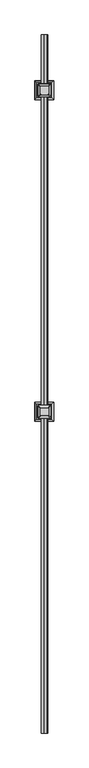
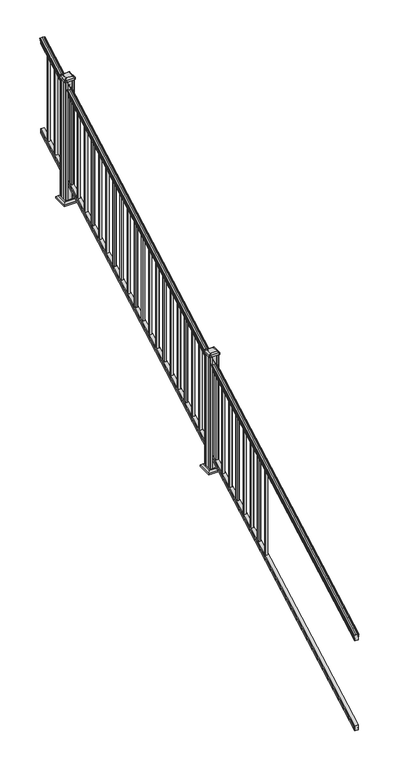
"""IFC4 building model written with IfcOpenShell, lengths in millimetres: railing geometry."""

from ifc_helpers import new_model, si_unit, point, frame, frame_2d, origin, place, context, project, spatial, polyline, circle_curve, ellipse_curve, trimmed, segment, composite_curve, outline, extrude, faceted_brep, source, transform, mapped, element, save
from ifc_brep_helpers import plane_surface, cylinder_surface, revolved_surface, extruded_surface, advanced_brep


def railing_023d52d3(model_context):
    return source(origin(), model_context, "Body", "SolidModel", [
        advanced_brep(
        [(9739.1614371, 1778.9805319, 1111.1933), (9741.7352659, 1778.9805319, 1111.1933), (9741.7352659, 1778.9805319, 1099.0017677), (9740.7192659, 1778.9805319, 1097.8395054), (9740.7192659, 1778.9805319, 1083.7333333), (9772.4692659, 1778.9805319, 1083.7333333), (9772.4692659, 1778.9805319, 1098.0200397), (9771.4532659, 1778.9805319, 1099.182302), (9771.4532659, 1778.9805319, 1111.1933), (9774.0270946, 1778.9805319, 1111.1933), (9774.0270946, 1778.9805319, 1113.3531886), (9775.1572809, 1778.9805319, 1115.140347), (9775.1572809, 1778.9805319, 1123.3974153), (9774.5080245, 1778.9805319, 1126.1811654), (9777.0080245, 1778.9805319, 1131.1346527), (9778.417367, 1778.9805319, 1133.0560334), (9778.819266, 1778.9805319, 1134.3198045), (9778.8192659, 1778.9805319, 1135.8530343), (9777.2658186, 1778.9805319, 1137.6301141), (9756.5942659, 1778.9805319, 1137.6301141), (9735.9227131, 1778.9805319, 1137.6301141), (9734.3692659, 1778.9805319, 1135.8530343), (9734.3692659, 1778.9805319, 1134.3198045), (9734.7711648, 1778.9805319, 1133.0560334), (9736.1805072, 1778.9805319, 1131.1346527), (9738.6805072, 1778.9805319, 1126.1811654), (9738.0312508, 1778.9805319, 1123.3974153), (9738.0312508, 1778.9805319, 1115.140347), (9739.1614371, 1778.9805319, 1113.3531886), (9739.1614371, 6655.7805319, 3820.5266334), (9739.1614371, 6655.7805319, 3822.6865219), (9738.0312508, 6655.7805319, 3824.4736803), (9738.0312508, 6655.7805319, 3832.7307486), (9738.6805072, 6655.7805319, 3835.5144987), (9736.1805072, 6655.7805319, 3840.4679861), (9734.7711648, 6655.7805319, 3842.3893668), (9734.3692658, 6655.7805319, 3843.6531378), (9734.3692659, 6655.7805319, 3845.1863676), (9735.9227131, 6655.7805319, 3846.9634474), (9756.5942659, 6655.7805319, 3846.9634474), (9777.2658186, 6655.7805319, 3846.9634474), (9778.8192659, 6655.7805319, 3845.1863676), (9778.8192659, 6655.7805319, 3843.6531378), (9778.417367, 6655.7805319, 3842.3893668), (9777.0080245, 6655.7805319, 3840.4679861), (9774.5080245, 6655.7805319, 3835.5144987), (9775.1572809, 6655.7805319, 3832.7307486), (9775.1572809, 6655.7805319, 3824.4736803), (9774.0270946, 6655.7805319, 3822.6865219), (9774.0270946, 6655.7805319, 3820.5266334), (9771.4532659, 6655.7805319, 3820.5266334), (9771.4532659, 6655.7805319, 3808.5156353), (9772.4692659, 6655.7805319, 3807.3533731), (9772.4692659, 6655.7805319, 3793.0666667), (9740.7192659, 6655.7805319, 3793.0666667), (9740.7192659, 6655.7805319, 3807.1728388), (9741.7352659, 6655.7805319, 3808.335101), (9741.7352659, 6655.7805319, 3820.5266334)],
        [
            (0, 1, ellipse_curve(frame((9740.4483515, 1778.9805319, 1111.1933), z_axis=(0.0, -1.0, 0.0), x_axis=(0.0, 0.0, -1.0)), 1.4721772, 1.2869144)),
            (1, 2),
            (2, 3),
            (3, 4),
            (4, 5),
            (5, 6),
            (6, 7),
            (7, 8),
            (8, 9, ellipse_curve(frame((9772.7401802, 1778.9805319, 1111.1933), z_axis=(0.0, -1.0, 0.0), x_axis=(0.0, 0.0, -1.0)), 1.4721772, 1.2869144)),
            (9, 10),
            (10, 11, ellipse_curve(frame((9767.7123413, 1778.9805319, 1119.9403628), z_axis=(0.0, -1.0, 0.0), x_axis=(0.0, 0.0, -1.0)), 9.7762168, 8.545951)),
            (11, 12, ellipse_curve(frame((9768.1494043, 1778.9805319, 1119.2688811), z_axis=(0.0, -1.0, 0.0), x_axis=(0.0, 0.0, -1.0)), 9.0173521, 7.882584)),
            (12, 13, ellipse_curve(frame((9778.6627284, 1778.9805319, 1125.9582895), z_axis=(0.0, 1.0, 0.0), x_axis=(0.0, 0.0, 1.0)), 4.7580334, 4.1592695)),
            (13, 14, ellipse_curve(frame((9779.950035, 1778.9805319, 1125.8892329), z_axis=(0.0, 1.0, 0.0), x_axis=(0.0, 0.0, 1.0)), 6.2322774, 5.4479907)),
            (14, 15, ellipse_curve(frame((9778.7168765, 1778.9805319, 1131.1314345), z_axis=(0.0, 1.0, 0.0), x_axis=(0.0, 0.0, 1.0)), 1.9548591, 1.7088543)),
            (15, 16, ellipse_curve(frame((9777.0999764, 1778.9805319, 1134.3198045), z_axis=(0.0, -1.0, 0.0), x_axis=(0.0, 0.0, -1.0)), 1.9667965, 1.7192895)),
            (16, 17),
            (17, 18, ellipse_curve(frame((9777.2658186, 1778.9805319, 1135.8530343), z_axis=(0.0, -1.0, 0.0), x_axis=(0.0, 0.0, -1.0)), 1.7770798, 1.5534472)),
            (18, 19),
            (19, 20),
            (20, 21, ellipse_curve(frame((9735.9227131, 1778.9805319, 1135.8530343), z_axis=(0.0, -1.0, 0.0), x_axis=(0.0, 0.0, -1.0)), 1.7770798, 1.5534472)),
            (21, 22),
            (22, 23, ellipse_curve(frame((9736.0885553, 1778.9805319, 1134.3198045), z_axis=(0.0, -1.0, 0.0), x_axis=(0.0, 0.0, -1.0)), 1.9667965, 1.7192895)),
            (23, 24, ellipse_curve(frame((9734.4716552, 1778.9805319, 1131.1314345), z_axis=(0.0, 1.0, 0.0), x_axis=(0.0, 0.0, 1.0)), 1.9548591, 1.7088543)),
            (24, 25, ellipse_curve(frame((9733.2384968, 1778.9805319, 1125.8892329), z_axis=(0.0, 1.0, 0.0), x_axis=(0.0, 0.0, 1.0)), 6.2322774, 5.4479907)),
            (25, 26, ellipse_curve(frame((9734.5258033, 1778.9805319, 1125.9582895), z_axis=(0.0, 1.0, 0.0), x_axis=(0.0, 0.0, 1.0)), 4.7580334, 4.1592695)),
            (26, 27, ellipse_curve(frame((9745.0391275, 1778.9805319, 1119.2688811), z_axis=(0.0, -1.0, 0.0), x_axis=(0.0, 0.0, -1.0)), 9.0173521, 7.882584)),
            (27, 28, ellipse_curve(frame((9745.4761904, 1778.9805319, 1119.9403628), z_axis=(0.0, -1.0, 0.0), x_axis=(0.0, 0.0, -1.0)), 9.7762168, 8.545951)),
            (28, 0),
            (29, 30),
            (30, 31, ellipse_curve(frame((9745.4761904, 6655.7805319, 3829.2736961), z_axis=(0.0, 1.0, 0.0), x_axis=(0.0, 0.0, -1.0)), 9.7762168, 8.545951)),
            (31, 32, ellipse_curve(frame((9745.0391275, 6655.7805319, 3828.6022145), z_axis=(0.0, 1.0, 0.0), x_axis=(0.0, 0.0, -1.0)), 9.0173521, 7.882584)),
            (32, 33, ellipse_curve(frame((9734.5258033, 6655.7805319, 3835.2916228), z_axis=(0.0, -1.0, 0.0), x_axis=(0.0, 0.0, 1.0)), 4.7580334, 4.1592695)),
            (33, 34, ellipse_curve(frame((9733.2384968, 6655.7805319, 3835.2225663), z_axis=(0.0, -1.0, 0.0), x_axis=(0.0, 0.0, 1.0)), 6.2322774, 5.4479907)),
            (34, 35, ellipse_curve(frame((9734.4716552, 6655.7805319, 3840.4647678), z_axis=(0.0, -1.0, 0.0), x_axis=(0.0, 0.0, 1.0)), 1.9548591, 1.7088543)),
            (35, 36, ellipse_curve(frame((9736.0885553, 6655.7805319, 3843.6531378), z_axis=(0.0, 1.0, 0.0), x_axis=(0.0, 0.0, -1.0)), 1.9667965, 1.7192895)),
            (36, 37),
            (37, 38, ellipse_curve(frame((9735.9227131, 6655.7805319, 3845.1863676), z_axis=(0.0, 1.0, 0.0), x_axis=(0.0, 0.0, -1.0)), 1.7770798, 1.5534472)),
            (38, 39),
            (39, 40),
            (40, 41, ellipse_curve(frame((9777.2658186, 6655.7805319, 3845.1863676), z_axis=(0.0, 1.0, 0.0), x_axis=(0.0, 0.0, -1.0)), 1.7770798, 1.5534472)),
            (41, 42),
            (42, 43, ellipse_curve(frame((9777.0999764, 6655.7805319, 3843.6531378), z_axis=(0.0, 1.0, 0.0), x_axis=(0.0, 0.0, -1.0)), 1.9667965, 1.7192895)),
            (43, 44, ellipse_curve(frame((9778.7168765, 6655.7805319, 3840.4647678), z_axis=(0.0, -1.0, 0.0), x_axis=(0.0, 0.0, 1.0)), 1.9548591, 1.7088543)),
            (44, 45, ellipse_curve(frame((9779.950035, 6655.7805319, 3835.2225663), z_axis=(0.0, -1.0, 0.0), x_axis=(0.0, 0.0, 1.0)), 6.2322774, 5.4479907)),
            (45, 46, ellipse_curve(frame((9778.6627284, 6655.7805319, 3835.2916228), z_axis=(0.0, -1.0, 0.0), x_axis=(0.0, 0.0, 1.0)), 4.7580334, 4.1592695)),
            (46, 47, ellipse_curve(frame((9768.1494043, 6655.7805319, 3828.6022145), z_axis=(0.0, 1.0, 0.0), x_axis=(0.0, 0.0, -1.0)), 9.0173521, 7.882584)),
            (47, 48, ellipse_curve(frame((9767.7123413, 6655.7805319, 3829.2736961), z_axis=(0.0, 1.0, 0.0), x_axis=(0.0, 0.0, -1.0)), 9.7762168, 8.545951)),
            (48, 49),
            (49, 50, ellipse_curve(frame((9772.7401802, 6655.7805319, 3820.5266334), z_axis=(0.0, 1.0, 0.0), x_axis=(0.0, 0.0, -1.0)), 1.4721772, 1.2869144)),
            (50, 51),
            (51, 52),
            (52, 53),
            (53, 54),
            (54, 55),
            (55, 56),
            (56, 57),
            (57, 29, ellipse_curve(frame((9740.4483515, 6655.7805319, 3820.5266334), z_axis=(0.0, 1.0, 0.0), x_axis=(0.0, 0.0, -1.0)), 1.4721772, 1.2869144)),
            (0, 29),
            (57, 1),
            (56, 2),
            (55, 3),
            (54, 4),
            (53, 5),
            (52, 6),
            (51, 7),
            (50, 8),
            (49, 9),
            (48, 10),
            (47, 11),
            (46, 12),
            (45, 13),
            (44, 14),
            (43, 15),
            (42, 16),
            (41, 17),
            (40, 18),
            (39, 19),
            (38, 20),
            (37, 21),
            (36, 22),
            (35, 23),
            (34, 24),
            (33, 25),
            (32, 26),
            (31, 27),
            (30, 28),
        ],
        [
            plane_surface(frame((9756.5942659, 1778.9805319, 1083.7333333), z_axis=(0.0, -1.0, 0.0), x_axis=(0.0, 0.0, 1.0))),
            plane_surface(frame((9756.5942659, 6655.7805319, 3793.0666667), z_axis=(0.0, 1.0, 0.0), x_axis=(0.0, 0.0, 1.0))),
            cylinder_surface(frame((9740.4483515, 1767.3229989, 1104.7168928), z_axis=(0.0, -0.8741572761215699, -0.4856429311785742), x_axis=(1.0, 0.0, 0.0)), 1.2869144),
            plane_surface(frame((9741.7352659, 1778.9805319, 1111.1933), z_axis=(-1.0000000000000002, 0.0, 0.0), x_axis=(0.0, 0.87415727612157, 0.4856429311785743))),
            plane_surface(frame((9741.7352659, 1778.9805319, 1099.0017677), z_axis=(-0.7071067811865404, -0.3434014098716843, 0.6181225377691304), x_axis=(0.0, 0.87415727612157, 0.4856429311785743))),
            plane_surface(frame((9740.7192659, 1778.9805319, 1097.8395054), z_axis=(-1.0000000000000002, 0.0, 0.0), x_axis=(0.0, 0.87415727612157, 0.4856429311785743))),
            plane_surface(frame((9740.7192659, 1778.9805319, 1083.7333333), z_axis=(0.0, 0.4856429311785744, -0.8741572761215699), x_axis=(0.0, 0.8741572761215699, 0.4856429311785744))),
            plane_surface(frame((9772.4692659, 1778.9805319, 1083.7333333), z_axis=(1.0000000000000002, 0.0, 0.0), x_axis=(0.0, 0.8741572761215699, 0.4856429311785744))),
            plane_surface(frame((9772.4692659, 1778.9805319, 1098.0200397), z_axis=(0.7071067811865429, -0.34340140987168505, 0.6181225377691272), x_axis=(0.0, 0.87415727612157, 0.4856429311785743))),
            plane_surface(frame((9771.4532659, 1778.9805319, 1099.182302), z_axis=(1.0000000000000002, 0.0, 0.0), x_axis=(0.0, 0.8741572761215699, 0.4856429311785744))),
            cylinder_surface(frame((9772.7401802, 1767.3229989, 1104.7168928), z_axis=(0.0, -0.8741572761215699, -0.4856429311785742), x_axis=(-1.0, 0.0, 0.0)), 1.2869144),
            plane_surface(frame((9774.0270946, 1778.9805319, 1111.1933), z_axis=(1.0000000000000002, 0.0, 0.0), x_axis=(0.0, 0.8741572761215699, 0.4856429311785744))),
            cylinder_surface(frame((9767.7123413, 1763.6096232, 1111.4009691), z_axis=(0.0, -0.8741572761215699, -0.4856429311785742), x_axis=(-1.0, 0.0, 0.0)), 8.545951),
            cylinder_surface(frame((9768.1494043, 1763.8946861, 1110.8878557), z_axis=(0.0, -0.8741572761215699, -0.4856429311785742), x_axis=(-1.0, 0.0, 0.0)), 7.882584),
            revolved_surface(polyline([(9774.5034589, 6657.80045174452, 3836.413800479864), (9774.5034589, 1776.9606120792462, 1124.8361117773575)]), (9778.6627284, 1761.054843, 1115.9995734), (0.0, 0.8741572761215699, 0.4856429311785742)),
            revolved_surface(polyline([(9774.5020443, 6658.426310041689, 3836.6924430449585), (9774.5020443, 1776.3347537301895, 1124.4193562056596)]), (9779.950035, 1761.0841594, 1115.9468038), (0.0, 0.8741572761215699, 0.4856429311785742)),
            revolved_surface(polyline([(9777.0080222, 6656.610424923765, 3840.925819457223), (9777.0080222, 1778.1506389094347, 1130.6703827830177)]), (9778.7168765, 1758.8586965, 1119.952637), (0.0, 0.8741572761215699, 0.4856429311785742)),
            cylinder_surface(frame((9777.0999764, 1757.5051432, 1122.389033), z_axis=(0.0, -0.8741572761215699, -0.4856429311785742), x_axis=(-1.0, 0.0, 0.0)), 1.7192895),
            plane_surface(frame((9778.8192659, 1778.9805319, 1134.3198045), z_axis=(1.0, 0.0, 0.0), x_axis=(0.0, 0.8741572761215698, 0.4856429311785744))),
            cylinder_surface(frame((9777.2658186, 1756.8542438, 1123.560652), z_axis=(0.0, -0.8741572761215699, -0.4856429311785742), x_axis=(-1.0, 0.0, 0.0)), 1.5534472),
            plane_surface(frame((9777.2658186, 1778.9805319, 1137.6301141), z_axis=(0.0, -0.4856429311785744, 0.8741572761215699), x_axis=(0.0, 0.8741572761215699, 0.4856429311785744))),
            plane_surface(frame((9756.5942659, 1778.9805319, 1137.6301141), z_axis=(0.0, -0.4856429311785743, 0.87415727612157), x_axis=(0.0, 0.87415727612157, 0.4856429311785743))),
            cylinder_surface(frame((9735.9227131, 1756.8542438, 1123.560652), z_axis=(0.0, -0.8741572761215699, -0.4856429311785742), x_axis=(1.0, 0.0, 0.0)), 1.5534472),
            plane_surface(frame((9734.3692659, 1778.9805319, 1135.8530343), z_axis=(-1.0000000000000002, 0.0, 0.0), x_axis=(0.0, 0.8741572761215699, 0.4856429311785744))),
            cylinder_surface(frame((9736.0885553, 1757.5051432, 1122.389033), z_axis=(0.0, -0.8741572761215699, -0.4856429311785742), x_axis=(1.0, 0.0, 0.0)), 1.7192895),
            revolved_surface(polyline([(9736.180509500002, 6656.610424923765, 3840.925819457223), (9736.180509500002, 1778.1506389094347, 1130.6703827830177)]), (9734.4716552, 1758.8586965, 1119.952637), (0.0, 0.8741572761215699, 0.4856429311785742)),
            revolved_surface(polyline([(9738.686487500001, 6658.426310041689, 3836.6924430449585), (9738.686487500001, 1776.3347537301895, 1124.4193562056596)]), (9733.2384968, 1761.0841594, 1115.9468038), (0.0, 0.8741572761215699, 0.4856429311785742)),
            revolved_surface(polyline([(9738.685072799999, 6657.80045174452, 3836.413800479864), (9738.685072799999, 1776.9606120792462, 1124.8361117773575)]), (9734.5258033, 1761.054843, 1115.9995734), (0.0, 0.8741572761215699, 0.4856429311785742)),
            cylinder_surface(frame((9745.0391275, 1763.8946861, 1110.8878557), z_axis=(0.0, -0.8741572761215699, -0.4856429311785742), x_axis=(1.0, 0.0, 0.0)), 7.882584),
            cylinder_surface(frame((9745.4761904, 1763.6096232, 1111.4009691), z_axis=(0.0, -0.8741572761215699, -0.4856429311785742), x_axis=(1.0, 0.0, 0.0)), 8.545951),
            plane_surface(frame((9739.1614371, 1778.9805319, 1113.3531886), z_axis=(-1.0000000000000002, 0.0, 0.0), x_axis=(0.0, 0.87415727612157, 0.4856429311785743))),
        ],
        [
            (0, [[1, 2, 3, 4, 5, 6, 7, 8, 9, 10, 11, 12, 13, 14, 15, 16, 17, 18, 19, 20, 21, 22, 23, 24, 25, 26, 27, 28, 29]]),
            (1, [[30, 31, 32, 33, 34, 35, 36, 37, 38, 39, 40, 41, 42, 43, 44, 45, 46, 47, 48, 49, 50, 51, 52, 53, 54, 55, 56, 57, 58]]),
            (2, [[-1, 59, -58, 60]]),
            (3, [[-2, -60, -57, 61]]),
            (4, [[-3, -61, -56, 62]]),
            (5, [[-4, -62, -55, 63]]),
            (6, [[-5, -63, -54, 64]]),
            (7, [[-6, -64, -53, 65]]),
            (8, [[-7, -65, -52, 66]]),
            (9, [[-8, -66, -51, 67]]),
            (10, [[-9, -67, -50, 68]]),
            (11, [[-10, -68, -49, 69]]),
            (12, [[-11, -69, -48, 70]]),
            (13, [[-12, -70, -47, 71]]),
            (14, [[-13, -71, -46, 72]]),
            (15, [[-14, -72, -45, 73]]),
            (16, [[-15, -73, -44, 74]]),
            (17, [[-16, -74, -43, 75]]),
            (18, [[-17, -75, -42, 76]]),
            (19, [[-18, -76, -41, 77]]),
            (20, [[-19, -77, -40, 78]]),
            (21, [[-20, -78, -39, 79]]),
            (22, [[-21, -79, -38, 80]]),
            (23, [[-22, -80, -37, 81]]),
            (24, [[-23, -81, -36, 82]]),
            (25, [[-24, -82, -35, 83]]),
            (26, [[-25, -83, -34, 84]]),
            (27, [[-26, -84, -33, 85]]),
            (28, [[-27, -85, -32, 86]]),
            (29, [[-28, -86, -31, 87]]),
            (30, [[-29, -87, -30, -59]]),
        ],
    ),
        faceted_brep([(9740.681779, 1778.9805319, 247.1948195), (9740.681779, 1778.9805319, 232.8333333), (9772.431779, 1778.9805319, 232.8333333), (9772.431779, 1778.9805319, 247.1757762), (9771.415779, 1778.9805319, 248.7181503), (9771.415779, 1778.9805319, 260.5143074), (9772.431779, 1778.9805319, 262.0566814), (9772.431779, 1778.9805319, 276.4134523), (9740.681779, 1778.9805319, 276.4134523), (9740.681779, 1778.9805319, 262.0757247), (9741.697779, 1778.9805319, 260.5333506), (9741.697779, 1778.9805319, 248.6824473), (9740.681779, 6655.7805319, 2956.5281528), (9741.697779, 6655.7805319, 2958.0157807), (9741.697779, 6655.7805319, 2969.8666839), (9740.681779, 6655.7805319, 2971.409058), (9740.681779, 6655.7805319, 2985.7467856), (9772.431779, 6655.7805319, 2985.7467856), (9772.431779, 6655.7805319, 2971.3900148), (9771.415779, 6655.7805319, 2969.8476407), (9771.415779, 6655.7805319, 2958.0514837), (9772.431779, 6655.7805319, 2956.5091096), (9772.431779, 6655.7805319, 2942.1666667), (9740.681779, 6655.7805319, 2942.1666667)], [[[0, 1, 2, 3, 4, 5, 6, 7, 8, 9, 10, 11]], [[12, 13, 14, 15, 16, 17, 18, 19, 20, 21, 22, 23]], [[1, 0, 12, 23]], [[2, 1, 23, 22]], [[3, 2, 22, 21]], [[4, 3, 21, 20]], [[5, 4, 20, 19]], [[6, 5, 19, 18]], [[7, 6, 18, 17]], [[8, 7, 17, 16]], [[9, 8, 16, 15]], [[10, 9, 15, 14]], [[11, 10, 14, 13]], [[0, 11, 13, 12]]]),
        extrude(outline(polyline([(9747.0692659, 6547.8305319), (9747.0692659, 6566.8805319), (9766.1192659, 6566.8805319), (9766.1192659, 6547.8305319), (9747.0692659, 6547.8305319)]), holes=[polyline([(9747.4661409, 6548.2274069), (9765.7223909, 6548.2274069), (9765.7223909, 6566.4836569), (9747.4661409, 6566.4836569), (9747.4661409, 6548.2274069)])]), frame((0.0, 0.0, 2925.5819892), z_axis=(0.0, 0.0, 1.0), x_axis=(1.0, 0.0, 0.0)), (0.0, 0.0, 1.0), 812.8041219),
        extrude(outline(polyline([(9747.0692659, 6436.7055319), (9747.0692659, 6455.7555319), (9766.1192659, 6455.7555319), (9766.1192659, 6436.7055319), (9747.0692659, 6436.7055319)]), holes=[polyline([(9747.4661409, 6437.1024069), (9765.7223909, 6437.1024069), (9765.7223909, 6455.3586569), (9747.4661409, 6455.3586569), (9747.4661409, 6437.1024069)])]), frame((0.0, 0.0, 2863.8458781), z_axis=(0.0, 0.0, 1.0), x_axis=(1.0, 0.0, 0.0)), (0.0, 0.0, 1.0), 812.8041219),
        extrude(outline(polyline([(9747.0692659, 6325.5805319), (9747.0692659, 6344.6305319), (9766.1192659, 6344.6305319), (9766.1192659, 6325.5805319), (9747.0692659, 6325.5805319)]), holes=[polyline([(9747.4661409, 6325.9774069), (9765.7223909, 6325.9774069), (9765.7223909, 6344.2336569), (9747.4661409, 6344.2336569), (9747.4661409, 6325.9774069)])]), frame((0.0, 0.0, 2802.109767), z_axis=(0.0, 0.0, 1.0), x_axis=(1.0, 0.0, 0.0)), (0.0, 0.0, 1.0), 812.8041219),
        faceted_brep([(9704.0083284, 6215.8445944, 2568.575), (9809.1802034, 6215.8445944, 2568.575), (9809.1802034, 6321.0164694, 2568.575), (9704.0083284, 6321.0164694, 2568.575), (9689.9688753, 6201.8051413, 2555.24), (9689.9688753, 6335.0559225, 2555.24), (9823.2196565, 6335.0559225, 2555.24), (9823.2196565, 6201.8051413, 2555.24)], [[[0, 1, 2, 3]], [[4, 5, 6, 7]], [[4, 7, 1, 0]], [[7, 6, 2, 1]], [[6, 5, 3, 2]], [[5, 4, 0, 3]]]),
        extrude(outline(polyline([(9689.9688753, 6201.8051413), (9689.9688753, 6335.0559225), (9823.2196565, 6335.0559225), (9823.2196565, 6201.8051413), (9689.9688753, 6201.8051413)])), frame((0.0, 0.0, 2540.0), z_axis=(0.0, 0.0, 1.0), x_axis=(1.0, 0.0, 0.0)), (0.0, 0.0, 1.0), 15.24),
        advanced_brep(
        [(9782.3911409, 6239.4586569, 3723.4114852), (9785.5661409, 6242.6336569, 3723.4114852), (9785.5661409, 6294.2274069, 3723.4114852), (9782.3911409, 6297.4024069, 3723.4114852), (9730.7973909, 6297.4024069, 3723.4114852), (9727.6223909, 6294.2274069, 3723.4114852), (9727.6223909, 6242.6336569, 3723.4114852), (9730.7973909, 6239.4586569, 3723.4114852), (9798.6630159, 6223.1867819, 3712.1084852), (9714.5255159, 6223.1867819, 3712.1084852), (9711.3505159, 6226.3617819, 3712.1084852), (9711.3505159, 6310.4992819, 3712.1084852), (9714.5255159, 6313.6742819, 3712.1084852), (9798.6630159, 6313.6742819, 3712.1084852), (9801.8380159, 6310.4992819, 3712.1084852), (9801.8380159, 6226.3617819, 3712.1084852)],
        [
            (0, 1, circle_curve(frame((9782.3911409, 6242.6336569, 3723.4114852), z_axis=(0.0, 0.0, 1.0), x_axis=(0.0, 1.0, 0.0)), 3.175)),
            (1, 2),
            (2, 3, circle_curve(frame((9782.3911409, 6294.2274069, 3723.4114852), z_axis=(0.0, 0.0, 1.0), x_axis=(0.0, 1.0, 0.0)), 3.175)),
            (3, 4),
            (4, 5, circle_curve(frame((9730.7973909, 6294.2274069, 3723.4114852), z_axis=(0.0, 0.0, 1.0), x_axis=(0.0, 1.0, 0.0)), 3.175)),
            (5, 6),
            (6, 7, circle_curve(frame((9730.7973909, 6242.6336569, 3723.4114852), z_axis=(0.0, 0.0, 1.0), x_axis=(0.0, 1.0, 0.0)), 3.175)),
            (7, 0),
            (8, 9),
            (9, 10, circle_curve(frame((9714.5255159, 6226.3617819, 3712.1084852), z_axis=(0.0, 0.0, -1.0), x_axis=(0.0, 1.0, 0.0)), 3.175)),
            (10, 11),
            (11, 12, circle_curve(frame((9714.5255159, 6310.4992819, 3712.1084852), z_axis=(0.0, 0.0, -1.0), x_axis=(0.0, 1.0, 0.0)), 3.175)),
            (12, 13),
            (13, 14, circle_curve(frame((9798.6630159, 6310.4992819, 3712.1084852), z_axis=(0.0, 0.0, -1.0), x_axis=(0.0, 1.0, 0.0)), 3.175)),
            (14, 15),
            (15, 8, circle_curve(frame((9798.6630159, 6226.3617819, 3712.1084852), z_axis=(0.0, 0.0, -1.0), x_axis=(0.0, 1.0, 0.0)), 3.175)),
            (15, 1),
            (0, 8),
            (14, 2),
            (13, 3),
            (12, 4),
            (11, 5),
            (10, 6),
            (9, 7),
        ],
        [
            plane_surface(frame((9756.5942659, 6268.4305319, 3723.4114852), z_axis=(0.0, 0.0, 1.0), x_axis=(1.0, 0.0, 0.0))),
            plane_surface(frame((9756.5942659, 6268.4305319, 3712.1084852), z_axis=(0.0, 0.0, -1.0), x_axis=(1.0, 0.0, 0.0))),
            extruded_surface(trimmed(circle_curve(frame((9798.6630159, 6226.3617819, 3712.1084852), z_axis=(0.0, 0.0, 1.0), x_axis=(0.0, 1.0, 0.0)), 3.175), [point((9798.6630159, 6223.1867819, 3712.1084852))], [point((9801.8380159, 6226.3617819, 3712.1084852))], True, "CARTESIAN"), (-16.271875000000364, 16.271874999999454, 11.302999999999884), 25.637972638865996),
            plane_surface(frame((9801.8380159, 6268.4305319, 3712.1084852), z_axis=(0.5705009161540778, 0.0, 0.8212969649690408), x_axis=(0.0, 1.0, 0.0))),
            extruded_surface(trimmed(circle_curve(frame((9798.6630159, 6310.4992819, 3712.1084852), z_axis=(0.0, 0.0, 1.0), x_axis=(0.0, 1.0, 0.0)), 3.175), [point((9801.8380159, 6310.4992819, 3712.1084852))], [point((9798.6630159, 6313.6742819, 3712.1084852))], True, "CARTESIAN"), (-16.271875000000364, -16.271875000000364, 11.302999999999884), 25.63797263886657),
            plane_surface(frame((9756.5942659, 6313.6742819, 3712.1084852), z_axis=(0.0, 0.5705009161540291, 0.8212969649690747), x_axis=(-1.0, 0.0, 0.0))),
            extruded_surface(trimmed(circle_curve(frame((9714.5255159, 6310.4992819, 3712.1084852), z_axis=(0.0, 0.0, 1.0), x_axis=(0.0, 1.0, 0.0)), 3.175), [point((9714.5255159, 6313.6742819, 3712.1084852))], [point((9711.3505159, 6310.4992819, 3712.1084852))], True, "CARTESIAN"), (16.271874999998545, -16.271875000000364, 11.302999999999884), 25.63797263886542),
            plane_surface(frame((9711.3505159, 6268.4305319, 3712.1084852), z_axis=(-0.5705009161540142, 0.0, 0.8212969649690851), x_axis=(0.0, -1.0, 0.0))),
            extruded_surface(trimmed(circle_curve(frame((9714.5255159, 6226.3617819, 3712.1084852), z_axis=(0.0, 0.0, 1.0), x_axis=(0.0, 1.0, 0.0)), 3.175), [point((9711.3505159, 6226.3617819, 3712.1084852))], [point((9714.5255159, 6223.1867819, 3712.1084852))], True, "CARTESIAN"), (16.271874999998545, 16.271874999999454, 11.302999999999884), 25.63797263886484),
            plane_surface(frame((9756.5942659, 6223.1867819, 3712.1084852), z_axis=(0.0, -0.570500916154034, 0.8212969649690713), x_axis=(1.0, 0.0, 0.0))),
        ],
        [
            (0, [[1, 2, 3, 4, 5, 6, 7, 8]]),
            (1, [[9, 10, 11, 12, 13, 14, 15, 16]]),
            (2, [[-16, 17, -1, 18]]),
            (3, [[-15, 19, -2, -17]]),
            (4, [[-14, 20, -3, -19]]),
            (5, [[-13, 21, -4, -20]]),
            (6, [[-12, 22, -5, -21]]),
            (7, [[-11, 23, -6, -22]]),
            (8, [[-10, 24, -7, -23]]),
            (9, [[-9, -18, -8, -24]]),
        ],
    ),
        extrude(outline(composite_curve([segment(polyline([(9798.6630159, 6223.1867819), (9714.5255159, 6223.1867819)]), True, "CONTINUOUS"), segment(trimmed(circle_curve(frame_2d((9714.5255159, 6226.3617819)), 3.175), [point((9714.5255159, 6223.1867819))], [point((9711.3505159, 6226.3617819))], False, "CARTESIAN"), True, "CONTINUOUS"), segment(polyline([(9711.3505159, 6226.3617819), (9711.3505159, 6310.4992819)]), True, "CONTINUOUS"), segment(trimmed(circle_curve(frame_2d((9714.5255159, 6310.4992819)), 3.175), [point((9711.3505159, 6310.4992819))], [point((9714.5255159, 6313.6742819))], False, "CARTESIAN"), True, "CONTINUOUS"), segment(polyline([(9714.5255159, 6313.6742819), (9798.6630159, 6313.6742819)]), True, "CONTINUOUS"), segment(trimmed(circle_curve(frame_2d((9798.6630159, 6310.4992819)), 3.175), [point((9798.6630159, 6313.6742819))], [point((9801.8380159, 6310.4992819))], False, "CARTESIAN"), True, "CONTINUOUS"), segment(polyline([(9801.8380159, 6310.4992819), (9801.8380159, 6226.3617819)]), True, "CONTINUOUS"), segment(trimmed(circle_curve(frame_2d((9798.6630159, 6226.3617819)), 3.175), [point((9801.8380159, 6226.3617819))], [point((9798.6630159, 6223.1867819))], False, "CARTESIAN"), True, "CONTINUOUS")], self_intersect=False)), frame((0.0, 0.0, 3694.8364852), z_axis=(0.0, 0.0, 1.0), x_axis=(1.0, 0.0, 0.0)), (0.0, 0.0, 1.0), 17.272),
        extrude(outline(polyline([(9796.2817659, 6227.1555319), (9776.6602659, 6227.1555319), (9775.8982659, 6228.7430319), (9737.2902659, 6228.7430319), (9736.5282659, 6227.1555319), (9716.9067659, 6227.1555319), (9715.3192659, 6228.7430319), (9715.3192659, 6248.3645319), (9716.9067659, 6249.1265319), (9716.9067659, 6287.7345319), (9715.3192659, 6288.4965319), (9715.3192659, 6308.1180319), (9716.9067659, 6309.7055319), (9736.5282659, 6309.7055319), (9737.2902659, 6308.1180319), (9775.8982659, 6308.1180319), (9776.6602659, 6309.7055319), (9796.2817659, 6309.7055319), (9797.8692659, 6308.1180319), (9797.8692659, 6288.4965319), (9796.2817659, 6287.7345319), (9796.2817659, 6249.1265319), (9797.8692659, 6248.3645319), (9797.8692659, 6228.7430319), (9796.2817659, 6227.1555319)])), frame((0.0, 0.0, 2540.0), z_axis=(0.0, 0.0, 1.0), x_axis=(1.0, 0.0, 0.0)), (0.0, 0.0, 1.0), 1154.8364852),
        extrude(outline(polyline([(9747.0692659, 6192.2305319), (9747.0692659, 6211.2805319), (9766.1192659, 6211.2805319), (9766.1192659, 6192.2305319), (9747.0692659, 6192.2305319)]), holes=[polyline([(9747.4661409, 6192.6274069), (9765.7223909, 6192.6274069), (9765.7223909, 6210.8836569), (9747.4661409, 6210.8836569), (9747.4661409, 6192.6274069)])]), frame((0.0, 0.0, 2728.0264336), z_axis=(0.0, 0.0, 1.0), x_axis=(1.0, 0.0, 0.0)), (0.0, 0.0, 1.0), 812.8041219),
        extrude(outline(polyline([(9747.0692659, 6081.1055319), (9747.0692659, 6100.1555319), (9766.1192659, 6100.1555319), (9766.1192659, 6081.1055319), (9747.0692659, 6081.1055319)]), holes=[polyline([(9747.4661409, 6081.5024069), (9765.7223909, 6081.5024069), (9765.7223909, 6099.7586569), (9747.4661409, 6099.7586569), (9747.4661409, 6081.5024069)])]), frame((0.0, 0.0, 2666.2903225), z_axis=(0.0, 0.0, 1.0), x_axis=(1.0, 0.0, 0.0)), (0.0, 0.0, 1.0), 812.8041219),
        extrude(outline(polyline([(9747.0692659, 5969.9805319), (9747.0692659, 5989.0305319), (9766.1192659, 5989.0305319), (9766.1192659, 5969.9805319), (9747.0692659, 5969.9805319)]), holes=[polyline([(9747.4661409, 5970.3774069), (9765.7223909, 5970.3774069), (9765.7223909, 5988.6336569), (9747.4661409, 5988.6336569), (9747.4661409, 5970.3774069)])]), frame((0.0, 0.0, 2604.5542114), z_axis=(0.0, 0.0, 1.0), x_axis=(1.0, 0.0, 0.0)), (0.0, 0.0, 1.0), 812.8041219),
        extrude(outline(polyline([(9747.0692659, 5858.8555319), (9747.0692659, 5877.9055319), (9766.1192659, 5877.9055319), (9766.1192659, 5858.8555319), (9747.0692659, 5858.8555319)]), holes=[polyline([(9747.4661409, 5859.2524069), (9765.7223909, 5859.2524069), (9765.7223909, 5877.5086569), (9747.4661409, 5877.5086569), (9747.4661409, 5859.2524069)])]), frame((0.0, 0.0, 2542.8181003), z_axis=(0.0, 0.0, 1.0), x_axis=(1.0, 0.0, 0.0)), (0.0, 0.0, 1.0), 812.8041219),
        extrude(outline(polyline([(9747.0692659, 5747.7305319), (9747.0692659, 5766.7805319), (9766.1192659, 5766.7805319), (9766.1192659, 5747.7305319), (9747.0692659, 5747.7305319)]), holes=[polyline([(9747.4661409, 5748.1274069), (9765.7223909, 5748.1274069), (9765.7223909, 5766.3836569), (9747.4661409, 5766.3836569), (9747.4661409, 5748.1274069)])]), frame((0.0, 0.0, 2481.0819892), z_axis=(0.0, 0.0, 1.0), x_axis=(1.0, 0.0, 0.0)), (0.0, 0.0, 1.0), 812.8041219),
        extrude(outline(polyline([(9747.0692659, 5636.6055319), (9747.0692659, 5655.6555319), (9766.1192659, 5655.6555319), (9766.1192659, 5636.6055319), (9747.0692659, 5636.6055319)]), holes=[polyline([(9747.4661409, 5637.0024069), (9765.7223909, 5637.0024069), (9765.7223909, 5655.2586569), (9747.4661409, 5655.2586569), (9747.4661409, 5637.0024069)])]), frame((0.0, 0.0, 2419.3458781), z_axis=(0.0, 0.0, 1.0), x_axis=(1.0, 0.0, 0.0)), (0.0, 0.0, 1.0), 812.8041219),
        extrude(outline(polyline([(9747.0692659, 5525.4805319), (9747.0692659, 5544.5305319), (9766.1192659, 5544.5305319), (9766.1192659, 5525.4805319), (9747.0692659, 5525.4805319)]), holes=[polyline([(9747.4661409, 5525.8774069), (9765.7223909, 5525.8774069), (9765.7223909, 5544.1336569), (9747.4661409, 5544.1336569), (9747.4661409, 5525.8774069)])]), frame((0.0, 0.0, 2357.609767), z_axis=(0.0, 0.0, 1.0), x_axis=(1.0, 0.0, 0.0)), (0.0, 0.0, 1.0), 812.8041219),
        extrude(outline(polyline([(9747.0692659, 5414.3555319), (9747.0692659, 5433.4055319), (9766.1192659, 5433.4055319), (9766.1192659, 5414.3555319), (9747.0692659, 5414.3555319)]), holes=[polyline([(9747.4661409, 5414.7524069), (9765.7223909, 5414.7524069), (9765.7223909, 5433.0086569), (9747.4661409, 5433.0086569), (9747.4661409, 5414.7524069)])]), frame((0.0, 0.0, 2295.8736558), z_axis=(0.0, 0.0, 1.0), x_axis=(1.0, 0.0, 0.0)), (0.0, 0.0, 1.0), 812.8041219),
        extrude(outline(polyline([(9747.0692659, 5303.2305319), (9747.0692659, 5322.2805319), (9766.1192659, 5322.2805319), (9766.1192659, 5303.2305319), (9747.0692659, 5303.2305319)]), holes=[polyline([(9747.4661409, 5303.6274069), (9765.7223909, 5303.6274069), (9765.7223909, 5321.8836569), (9747.4661409, 5321.8836569), (9747.4661409, 5303.6274069)])]), frame((0.0, 0.0, 2234.1375447), z_axis=(0.0, 0.0, 1.0), x_axis=(1.0, 0.0, 0.0)), (0.0, 0.0, 1.0), 812.8041219),
        extrude(outline(polyline([(9747.0692659, 5192.1055319), (9747.0692659, 5211.1555319), (9766.1192659, 5211.1555319), (9766.1192659, 5192.1055319), (9747.0692659, 5192.1055319)]), holes=[polyline([(9747.4661409, 5192.5024069), (9765.7223909, 5192.5024069), (9765.7223909, 5210.7586569), (9747.4661409, 5210.7586569), (9747.4661409, 5192.5024069)])]), frame((0.0, 0.0, 2172.4014336), z_axis=(0.0, 0.0, 1.0), x_axis=(1.0, 0.0, 0.0)), (0.0, 0.0, 1.0), 812.8041219),
        extrude(outline(polyline([(9747.0692659, 5080.9805319), (9747.0692659, 5100.0305319), (9766.1192659, 5100.0305319), (9766.1192659, 5080.9805319), (9747.0692659, 5080.9805319)]), holes=[polyline([(9747.4661409, 5081.3774069), (9765.7223909, 5081.3774069), (9765.7223909, 5099.6336569), (9747.4661409, 5099.6336569), (9747.4661409, 5081.3774069)])]), frame((0.0, 0.0, 2110.6653225), z_axis=(0.0, 0.0, 1.0), x_axis=(1.0, 0.0, 0.0)), (0.0, 0.0, 1.0), 812.8041219),
        extrude(outline(polyline([(9747.0692659, 4969.8555319), (9747.0692659, 4988.9055319), (9766.1192659, 4988.9055319), (9766.1192659, 4969.8555319), (9747.0692659, 4969.8555319)]), holes=[polyline([(9747.4661409, 4970.2524069), (9765.7223909, 4970.2524069), (9765.7223909, 4988.5086569), (9747.4661409, 4988.5086569), (9747.4661409, 4970.2524069)])]), frame((0.0, 0.0, 2048.9292114), z_axis=(0.0, 0.0, 1.0), x_axis=(1.0, 0.0, 0.0)), (0.0, 0.0, 1.0), 812.8041219),
        extrude(outline(polyline([(9747.0692659, 4858.7305319), (9747.0692659, 4877.7805319), (9766.1192659, 4877.7805319), (9766.1192659, 4858.7305319), (9747.0692659, 4858.7305319)]), holes=[polyline([(9747.4661409, 4859.1274069), (9765.7223909, 4859.1274069), (9765.7223909, 4877.3836569), (9747.4661409, 4877.3836569), (9747.4661409, 4859.1274069)])]), frame((0.0, 0.0, 1987.1931003), z_axis=(0.0, 0.0, 1.0), x_axis=(1.0, 0.0, 0.0)), (0.0, 0.0, 1.0), 812.8041219),
        extrude(outline(polyline([(9747.0692659, 4747.6055319), (9747.0692659, 4766.6555319), (9766.1192659, 4766.6555319), (9766.1192659, 4747.6055319), (9747.0692659, 4747.6055319)]), holes=[polyline([(9747.4661409, 4748.0024069), (9765.7223909, 4748.0024069), (9765.7223909, 4766.2586569), (9747.4661409, 4766.2586569), (9747.4661409, 4748.0024069)])]), frame((0.0, 0.0, 1925.4569892), z_axis=(0.0, 0.0, 1.0), x_axis=(1.0, 0.0, 0.0)), (0.0, 0.0, 1.0), 812.8041219),
        extrude(outline(polyline([(9747.0692659, 4636.4805319), (9747.0692659, 4655.5305319), (9766.1192659, 4655.5305319), (9766.1192659, 4636.4805319), (9747.0692659, 4636.4805319)]), holes=[polyline([(9747.4661409, 4636.8774069), (9765.7223909, 4636.8774069), (9765.7223909, 4655.1336569), (9747.4661409, 4655.1336569), (9747.4661409, 4636.8774069)])]), frame((0.0, 0.0, 1863.7208781), z_axis=(0.0, 0.0, 1.0), x_axis=(1.0, 0.0, 0.0)), (0.0, 0.0, 1.0), 812.8041219),
        extrude(outline(polyline([(9747.0692659, 4525.3555319), (9747.0692659, 4544.4055319), (9766.1192659, 4544.4055319), (9766.1192659, 4525.3555319), (9747.0692659, 4525.3555319)]), holes=[polyline([(9747.4661409, 4525.7524069), (9765.7223909, 4525.7524069), (9765.7223909, 4544.0086569), (9747.4661409, 4544.0086569), (9747.4661409, 4525.7524069)])]), frame((0.0, 0.0, 1801.984767), z_axis=(0.0, 0.0, 1.0), x_axis=(1.0, 0.0, 0.0)), (0.0, 0.0, 1.0), 812.8041219),
        extrude(outline(polyline([(9747.0692659, 4414.2305319), (9747.0692659, 4433.2805319), (9766.1192659, 4433.2805319), (9766.1192659, 4414.2305319), (9747.0692659, 4414.2305319)]), holes=[polyline([(9747.4661409, 4414.6274069), (9765.7223909, 4414.6274069), (9765.7223909, 4432.8836569), (9747.4661409, 4432.8836569), (9747.4661409, 4414.6274069)])]), frame((0.0, 0.0, 1740.2486558), z_axis=(0.0, 0.0, 1.0), x_axis=(1.0, 0.0, 0.0)), (0.0, 0.0, 1.0), 812.8041219),
        extrude(outline(polyline([(9747.0692659, 4303.1055319), (9747.0692659, 4322.1555319), (9766.1192659, 4322.1555319), (9766.1192659, 4303.1055319), (9747.0692659, 4303.1055319)]), holes=[polyline([(9747.4661409, 4303.5024069), (9765.7223909, 4303.5024069), (9765.7223909, 4321.7586569), (9747.4661409, 4321.7586569), (9747.4661409, 4303.5024069)])]), frame((0.0, 0.0, 1678.5125447), z_axis=(0.0, 0.0, 1.0), x_axis=(1.0, 0.0, 0.0)), (0.0, 0.0, 1.0), 812.8041219),
        extrude(outline(polyline([(9747.0692659, 4191.9805319), (9747.0692659, 4211.0305319), (9766.1192659, 4211.0305319), (9766.1192659, 4191.9805319), (9747.0692659, 4191.9805319)]), holes=[polyline([(9747.4661409, 4192.3774069), (9765.7223909, 4192.3774069), (9765.7223909, 4210.6336569), (9747.4661409, 4210.6336569), (9747.4661409, 4192.3774069)])]), frame((0.0, 0.0, 1616.7764336), z_axis=(0.0, 0.0, 1.0), x_axis=(1.0, 0.0, 0.0)), (0.0, 0.0, 1.0), 812.8041219),
        extrude(outline(polyline([(9747.0692659, 4080.8555319), (9747.0692659, 4099.9055319), (9766.1192659, 4099.9055319), (9766.1192659, 4080.8555319), (9747.0692659, 4080.8555319)]), holes=[polyline([(9747.4661409, 4081.2524069), (9765.7223909, 4081.2524069), (9765.7223909, 4099.5086569), (9747.4661409, 4099.5086569), (9747.4661409, 4081.2524069)])]), frame((0.0, 0.0, 1555.0403225), z_axis=(0.0, 0.0, 1.0), x_axis=(1.0, 0.0, 0.0)), (0.0, 0.0, 1.0), 812.8041219),
        faceted_brep([(9704.0083284, 3971.1195944, 1383.2416667), (9809.1802034, 3971.1195944, 1383.2416667), (9809.1802034, 4076.2914694, 1383.2416667), (9704.0083284, 4076.2914694, 1383.2416667), (9689.9688753, 3957.0801413, 1369.9066667), (9689.9688753, 4090.3309225, 1369.9066667), (9823.2196565, 4090.3309225, 1369.9066667), (9823.2196565, 3957.0801413, 1369.9066667)], [[[0, 1, 2, 3]], [[4, 5, 6, 7]], [[4, 7, 1, 0]], [[7, 6, 2, 1]], [[6, 5, 3, 2]], [[5, 4, 0, 3]]]),
        extrude(outline(polyline([(9689.9688753, 3957.0801413), (9689.9688753, 4090.3309225), (9823.2196565, 4090.3309225), (9823.2196565, 3957.0801413), (9689.9688753, 3957.0801413)])), frame((0.0, 0.0, 1354.6666667), z_axis=(0.0, 0.0, 1.0), x_axis=(1.0, 0.0, 0.0)), (0.0, 0.0, 1.0), 15.24),
        advanced_brep(
        [(9782.3911409, 3994.7336569, 2476.3420408), (9785.5661409, 3997.9086569, 2476.3420408), (9785.5661409, 4049.5024069, 2476.3420408), (9782.3911409, 4052.6774069, 2476.3420408), (9730.7973909, 4052.6774069, 2476.3420408), (9727.6223909, 4049.5024069, 2476.3420408), (9727.6223909, 3997.9086569, 2476.3420408), (9730.7973909, 3994.7336569, 2476.3420408), (9798.6630159, 3978.4617819, 2465.0390408), (9714.5255159, 3978.4617819, 2465.0390408), (9711.3505159, 3981.6367819, 2465.0390408), (9711.3505159, 4065.7742819, 2465.0390408), (9714.5255159, 4068.9492819, 2465.0390408), (9798.6630159, 4068.9492819, 2465.0390408), (9801.8380159, 4065.7742819, 2465.0390408), (9801.8380159, 3981.6367819, 2465.0390408)],
        [
            (0, 1, circle_curve(frame((9782.3911409, 3997.9086569, 2476.3420408), z_axis=(0.0, 0.0, 1.0), x_axis=(0.0, 1.0, 0.0)), 3.175)),
            (1, 2),
            (2, 3, circle_curve(frame((9782.3911409, 4049.5024069, 2476.3420408), z_axis=(0.0, 0.0, 1.0), x_axis=(0.0, 1.0, 0.0)), 3.175)),
            (3, 4),
            (4, 5, circle_curve(frame((9730.7973909, 4049.5024069, 2476.3420408), z_axis=(0.0, 0.0, 1.0), x_axis=(0.0, 1.0, 0.0)), 3.175)),
            (5, 6),
            (6, 7, circle_curve(frame((9730.7973909, 3997.9086569, 2476.3420408), z_axis=(0.0, 0.0, 1.0), x_axis=(0.0, 1.0, 0.0)), 3.175)),
            (7, 0),
            (8, 9),
            (9, 10, circle_curve(frame((9714.5255159, 3981.6367819, 2465.0390408), z_axis=(0.0, 0.0, -1.0), x_axis=(0.0, 1.0, 0.0)), 3.175)),
            (10, 11),
            (11, 12, circle_curve(frame((9714.5255159, 4065.7742819, 2465.0390408), z_axis=(0.0, 0.0, -1.0), x_axis=(0.0, 1.0, 0.0)), 3.175)),
            (12, 13),
            (13, 14, circle_curve(frame((9798.6630159, 4065.7742819, 2465.0390408), z_axis=(0.0, 0.0, -1.0), x_axis=(0.0, 1.0, 0.0)), 3.175)),
            (14, 15),
            (15, 8, circle_curve(frame((9798.6630159, 3981.6367819, 2465.0390408), z_axis=(0.0, 0.0, -1.0), x_axis=(0.0, 1.0, 0.0)), 3.175)),
            (15, 1),
            (0, 8),
            (14, 2),
            (13, 3),
            (12, 4),
            (11, 5),
            (10, 6),
            (9, 7),
        ],
        [
            plane_surface(frame((9756.5942659, 4023.7055319, 2476.3420408), z_axis=(0.0, 0.0, 1.0), x_axis=(1.0, 0.0, 0.0))),
            plane_surface(frame((9756.5942659, 4023.7055319, 2465.0390408), z_axis=(0.0, 0.0, -1.0), x_axis=(1.0, 0.0, 0.0))),
            extruded_surface(trimmed(circle_curve(frame((9798.6630159, 3981.6367819, 2465.0390408), z_axis=(0.0, 0.0, 1.0), x_axis=(0.0, 1.0, 0.0)), 3.175), [point((9798.6630159, 3978.4617819, 2465.0390408))], [point((9801.8380159, 3981.6367819, 2465.0390408))], True, "CARTESIAN"), (-16.271875000000364, 16.27187499999991, 11.303000000000338), 25.637972638866486),
            plane_surface(frame((9801.8380159, 4023.7055319, 2465.0390408), z_axis=(0.5705009161540778, 0.0, 0.8212969649690408), x_axis=(0.0, 1.0, 0.0))),
            extruded_surface(trimmed(circle_curve(frame((9798.6630159, 4065.7742819, 2465.0390408), z_axis=(0.0, 0.0, 1.0), x_axis=(0.0, 1.0, 0.0)), 3.175), [point((9801.8380159, 4065.7742819, 2465.0390408))], [point((9798.6630159, 4068.9492819, 2465.0390408))], True, "CARTESIAN"), (-16.271875000000364, -16.27187499999991, 11.303000000000338), 25.637972638866486),
            plane_surface(frame((9756.5942659, 4068.9492819, 2465.0390408), z_axis=(0.0, 0.5705009161540291, 0.8212969649690747), x_axis=(-1.0, 0.0, 0.0))),
            extruded_surface(trimmed(circle_curve(frame((9714.5255159, 4065.7742819, 2465.0390408), z_axis=(0.0, 0.0, 1.0), x_axis=(0.0, 1.0, 0.0)), 3.175), [point((9714.5255159, 4068.9492819, 2465.0390408))], [point((9711.3505159, 4065.7742819, 2465.0390408))], True, "CARTESIAN"), (16.271874999998545, -16.27187499999991, 11.303000000000338), 25.63797263886533),
            plane_surface(frame((9711.3505159, 4023.7055319, 2465.0390408), z_axis=(-0.5705009161540142, 0.0, 0.8212969649690851), x_axis=(0.0, -1.0, 0.0))),
            extruded_surface(trimmed(circle_curve(frame((9714.5255159, 3981.6367819, 2465.0390408), z_axis=(0.0, 0.0, 1.0), x_axis=(0.0, 1.0, 0.0)), 3.175), [point((9711.3505159, 3981.6367819, 2465.0390408))], [point((9714.5255159, 3978.4617819, 2465.0390408))], True, "CARTESIAN"), (16.271874999998545, 16.27187499999991, 11.303000000000338), 25.63797263886533),
            plane_surface(frame((9756.5942659, 3978.4617819, 2465.0390408), z_axis=(0.0, -0.570500916154034, 0.8212969649690713), x_axis=(1.0, 0.0, 0.0))),
        ],
        [
            (0, [[1, 2, 3, 4, 5, 6, 7, 8]]),
            (1, [[9, 10, 11, 12, 13, 14, 15, 16]]),
            (2, [[-16, 17, -1, 18]]),
            (3, [[-15, 19, -2, -17]]),
            (4, [[-14, 20, -3, -19]]),
            (5, [[-13, 21, -4, -20]]),
            (6, [[-12, 22, -5, -21]]),
            (7, [[-11, 23, -6, -22]]),
            (8, [[-10, 24, -7, -23]]),
            (9, [[-9, -18, -8, -24]]),
        ],
    ),
        extrude(outline(composite_curve([segment(polyline([(9798.6630159, 3978.4617819), (9714.5255159, 3978.4617819)]), True, "CONTINUOUS"), segment(trimmed(circle_curve(frame_2d((9714.5255159, 3981.6367819)), 3.175), [point((9714.5255159, 3978.4617819))], [point((9711.3505159, 3981.6367819))], False, "CARTESIAN"), True, "CONTINUOUS"), segment(polyline([(9711.3505159, 3981.6367819), (9711.3505159, 4065.7742819)]), True, "CONTINUOUS"), segment(trimmed(circle_curve(frame_2d((9714.5255159, 4065.7742819)), 3.175), [point((9711.3505159, 4065.7742819))], [point((9714.5255159, 4068.9492819))], False, "CARTESIAN"), True, "CONTINUOUS"), segment(polyline([(9714.5255159, 4068.9492819), (9798.6630159, 4068.9492819)]), True, "CONTINUOUS"), segment(trimmed(circle_curve(frame_2d((9798.6630159, 4065.7742819)), 3.175), [point((9798.6630159, 4068.9492819))], [point((9801.8380159, 4065.7742819))], False, "CARTESIAN"), True, "CONTINUOUS"), segment(polyline([(9801.8380159, 4065.7742819), (9801.8380159, 3981.6367819)]), True, "CONTINUOUS"), segment(trimmed(circle_curve(frame_2d((9798.6630159, 3981.6367819)), 3.175), [point((9801.8380159, 3981.6367819))], [point((9798.6630159, 3978.4617819))], False, "CARTESIAN"), True, "CONTINUOUS")], self_intersect=False)), frame((0.0, 0.0, 2447.7670408), z_axis=(0.0, 0.0, 1.0), x_axis=(1.0, 0.0, 0.0)), (0.0, 0.0, 1.0), 17.272),
        extrude(outline(polyline([(9796.2817659, 3982.4305319), (9776.6602659, 3982.4305319), (9775.8982659, 3984.0180319), (9737.2902659, 3984.0180319), (9736.5282659, 3982.4305319), (9716.9067659, 3982.4305319), (9715.3192659, 3984.0180319), (9715.3192659, 4003.6395319), (9716.9067659, 4004.4015319), (9716.9067659, 4043.0095319), (9715.3192659, 4043.7715319), (9715.3192659, 4063.3930319), (9716.9067659, 4064.9805319), (9736.5282659, 4064.9805319), (9737.2902659, 4063.3930319), (9775.8982659, 4063.3930319), (9776.6602659, 4064.9805319), (9796.2817659, 4064.9805319), (9797.8692659, 4063.3930319), (9797.8692659, 4043.7715319), (9796.2817659, 4043.0095319), (9796.2817659, 4004.4015319), (9797.8692659, 4003.6395319), (9797.8692659, 3984.0180319), (9796.2817659, 3982.4305319)])), frame((0.0, 0.0, 1354.6666667), z_axis=(0.0, 0.0, 1.0), x_axis=(1.0, 0.0, 0.0)), (0.0, 0.0, 1.0), 1093.1003741),
        extrude(outline(polyline([(9747.0692659, 3947.5055319), (9747.0692659, 3966.5555319), (9766.1192659, 3966.5555319), (9766.1192659, 3947.5055319), (9747.0692659, 3947.5055319)]), holes=[polyline([(9747.4661409, 3947.9024069), (9765.7223909, 3947.9024069), (9765.7223909, 3966.1586569), (9747.4661409, 3966.1586569), (9747.4661409, 3947.9024069)])]), frame((0.0, 0.0, 1480.9569892), z_axis=(0.0, 0.0, 1.0), x_axis=(1.0, 0.0, 0.0)), (0.0, 0.0, 1.0), 812.8041219),
        extrude(outline(polyline([(9747.0692659, 3836.3805319), (9747.0692659, 3855.4305319), (9766.1192659, 3855.4305319), (9766.1192659, 3836.3805319), (9747.0692659, 3836.3805319)]), holes=[polyline([(9747.4661409, 3836.7774069), (9765.7223909, 3836.7774069), (9765.7223909, 3855.0336569), (9747.4661409, 3855.0336569), (9747.4661409, 3836.7774069)])]), frame((0.0, 0.0, 1419.2208781), z_axis=(0.0, 0.0, 1.0), x_axis=(1.0, 0.0, 0.0)), (0.0, 0.0, 1.0), 812.8041219),
        extrude(outline(polyline([(9747.0692659, 3725.2555319), (9747.0692659, 3744.3055319), (9766.1192659, 3744.3055319), (9766.1192659, 3725.2555319), (9747.0692659, 3725.2555319)]), holes=[polyline([(9747.4661409, 3725.6524069), (9765.7223909, 3725.6524069), (9765.7223909, 3743.9086569), (9747.4661409, 3743.9086569), (9747.4661409, 3725.6524069)])]), frame((0.0, 0.0, 1357.484767), z_axis=(0.0, 0.0, 1.0), x_axis=(1.0, 0.0, 0.0)), (0.0, 0.0, 1.0), 812.8041219),
        extrude(outline(polyline([(9747.0692659, 3614.1305319), (9747.0692659, 3633.1805319), (9766.1192659, 3633.1805319), (9766.1192659, 3614.1305319), (9747.0692659, 3614.1305319)]), holes=[polyline([(9747.4661409, 3614.5274069), (9765.7223909, 3614.5274069), (9765.7223909, 3632.7836569), (9747.4661409, 3632.7836569), (9747.4661409, 3614.5274069)])]), frame((0.0, 0.0, 1295.7486558), z_axis=(0.0, 0.0, 1.0), x_axis=(1.0, 0.0, 0.0)), (0.0, 0.0, 1.0), 812.8041219),
        extrude(outline(polyline([(9747.0692659, 3503.0055319), (9747.0692659, 3522.0555319), (9766.1192659, 3522.0555319), (9766.1192659, 3503.0055319), (9747.0692659, 3503.0055319)]), holes=[polyline([(9747.4661409, 3503.4024069), (9765.7223909, 3503.4024069), (9765.7223909, 3521.6586569), (9747.4661409, 3521.6586569), (9747.4661409, 3503.4024069)])]), frame((0.0, 0.0, 1234.0125447), z_axis=(0.0, 0.0, 1.0), x_axis=(1.0, 0.0, 0.0)), (0.0, 0.0, 1.0), 812.8041219),
        extrude(outline(polyline([(9747.0692659, 3391.8805319), (9747.0692659, 3410.9305319), (9766.1192659, 3410.9305319), (9766.1192659, 3391.8805319), (9747.0692659, 3391.8805319)]), holes=[polyline([(9747.4661409, 3392.2774069), (9765.7223909, 3392.2774069), (9765.7223909, 3410.5336569), (9747.4661409, 3410.5336569), (9747.4661409, 3392.2774069)])]), frame((0.0, 0.0, 1172.2764336), z_axis=(0.0, 0.0, 1.0), x_axis=(1.0, 0.0, 0.0)), (0.0, 0.0, 1.0), 812.8041219),
        extrude(outline(polyline([(9747.0692659, 3280.7555319), (9747.0692659, 3299.8055319), (9766.1192659, 3299.8055319), (9766.1192659, 3280.7555319), (9747.0692659, 3280.7555319)]), holes=[polyline([(9747.4661409, 3281.1524069), (9765.7223909, 3281.1524069), (9765.7223909, 3299.4086569), (9747.4661409, 3299.4086569), (9747.4661409, 3281.1524069)])]), frame((0.0, 0.0, 1110.5403225), z_axis=(0.0, 0.0, 1.0), x_axis=(1.0, 0.0, 0.0)), (0.0, 0.0, 1.0), 812.8041219),
        extrude(outline(polyline([(9747.0692659, 3169.6305319), (9747.0692659, 3188.6805319), (9766.1192659, 3188.6805319), (9766.1192659, 3169.6305319), (9747.0692659, 3169.6305319)]), holes=[polyline([(9747.4661409, 3170.0274069), (9765.7223909, 3170.0274069), (9765.7223909, 3188.2836569), (9747.4661409, 3188.2836569), (9747.4661409, 3170.0274069)])]), frame((0.0, 0.0, 1048.8042114), z_axis=(0.0, 0.0, 1.0), x_axis=(1.0, 0.0, 0.0)), (0.0, 0.0, 1.0), 812.8041219),
    ])


if __name__ == "__main__":
    model = new_model("IFC4")
    model_context = context("Model", 3, world=origin())
    ifc_project = project(units=[si_unit("LENGTHUNIT", "METRE", prefix="MILLI")], contexts=[model_context])
    site = spatial("IfcSite", under=ifc_project)
    building = spatial("IfcBuilding", under=site)
    placement = place(None, origin())
    railing_shape = railing_023d52d3(model_context)
    element("IfcRailing", 1, at=placement, inside=building, context=model_context, shape_type="MappedRepresentation", body=[
        mapped(railing_shape, transform((0.0, 0.0, 0.0), x_axis=(1.0, 0.0, 0.0), y_axis=(0.0, 1.0, 0.0), z_axis=(0.0, 0.0, 1.0))),
    ])
    save(model, "model.ifc")
